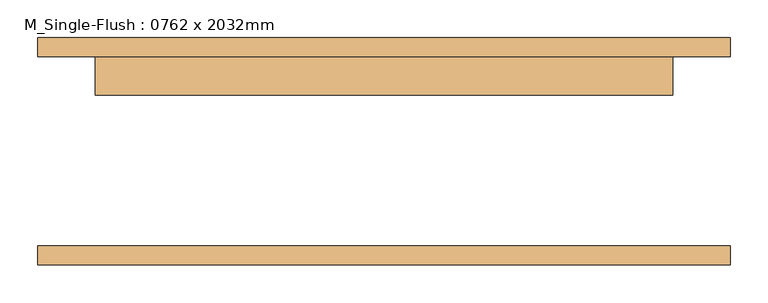
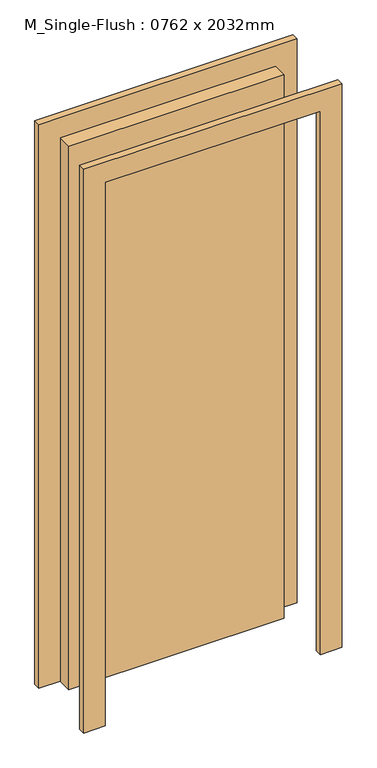
"""IFC4 building model written with IfcOpenShell, lengths in millimetres: door geometry, M_Single-Flush : 0762 x 2032mm."""

from ifc_helpers import new_model, si_unit, frame, origin, origin_with_axes, place, context, project, spatial, polyline, outline, extrude, source, transform, mapped, element, save


def m_single_flush_0762_x_2032mm_55640e78(model_context):
    return source(origin(), model_context, "Body", "SweptSolid", [
        extrude(outline(polyline([(2108.0, -457.0), (0.0, -457.0), (0.0, -381.0), (2032.0, -381.0), (2032.0, 381.0), (0.0, 381.0), (0.0, 457.0), (2108.0, 457.0), (2108.0, -457.0)])), frame((0.0, 125.0, 0.0), z_axis=(0.0, 1.0, 0.0), x_axis=(0.0, 0.0, 1.0)), (0.0, 0.0, 1.0), 25.0),
        extrude(outline(polyline([(2108.0, 457.0), (2108.0, -457.0), (0.0, -457.0), (0.0, -381.0), (2032.0, -381.0), (2032.0, 381.0), (0.0, 381.0), (0.0, 457.0), (2108.0, 457.0)])), frame((0.0, -150.0, 0.0), z_axis=(0.0, 1.0, 0.0), x_axis=(0.0, 0.0, 1.0)), (0.0, 0.0, 1.0), 25.0),
        extrude(outline(polyline([(381.0, 74.0), (-381.0, 74.0), (-381.0, 125.0), (381.0, 125.0), (381.0, 74.0)])), origin_with_axes(), (0.0, 0.0, 1.0), 2032.0),
    ])


if __name__ == "__main__":
    model = new_model("IFC4")
    model_context = context("Model", 3, world=origin())
    ifc_project = project(units=[si_unit("LENGTHUNIT", "METRE", prefix="MILLI")], contexts=[model_context])
    site = spatial("IfcSite", under=ifc_project)
    building = spatial("IfcBuilding", under=site)
    placement = place(None, origin())
    m_single_flush_0762_x_2032mm_shape = m_single_flush_0762_x_2032mm_55640e78(model_context)
    element("IfcDoor", 1, ObjectType="M_Single-Flush : 0762 x 2032mm", at=placement, inside=building, context=model_context, shape_type="MappedRepresentation", body=[
        mapped(m_single_flush_0762_x_2032mm_shape, transform((0.0, 0.0, 0.0), x_axis=(1.0, 0.0, 0.0), y_axis=(0.0, 1.0, 0.0), z_axis=(0.0, 0.0, 1.0))),
    ])
    save(model, "model.ifc")
